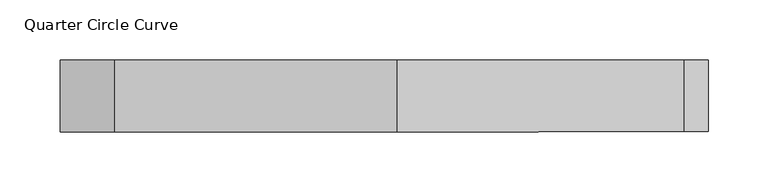
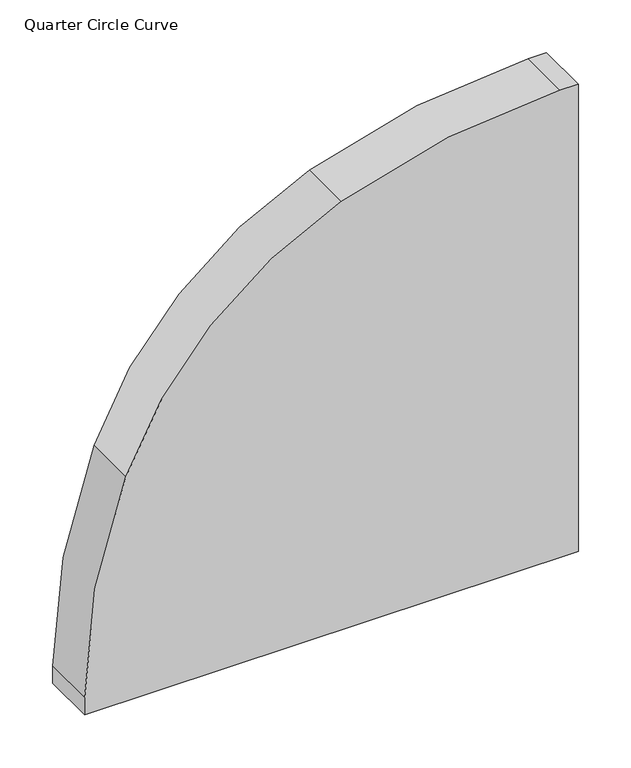
"""IFC4 building model written with IfcOpenShell, lengths in millimetres: furniture geometry, Quarter Circle Curve."""

import ifcopenshell
import ifcopenshell.guid

model = None  # the IFC model being written
_history = None  # IfcOwnerHistory: only IFC2X3 demands one
_inside = {}  # id of a spatial element -> (the spatial element, [elements in it])
_under = {}  # id of a project, library or spatial element -> (it, [spatial elements below it])
_declared = {}  # id of a project -> (the project, [libraries it declares])
_typed = {}  # id of a type object -> (the type object, [elements of that type])
_made_of = {}  # id of a material, layer set ... -> (it, [elements and type objects made of it])


def new_model(schema):
    """Start an empty IFC model of exactly this schema.

    Asked for "IFC4X3", IfcOpenShell would pick the latest addendum, in which some entities
    have other attributes; the version numbers below select the first issue.
    IFC2X3 requires an IfcOwnerHistory on every rooted entity: one is made here for all.
    """
    global model, _history
    if schema == "IFC4X3":
        model = ifcopenshell.file(schema_version=(4, 3, 0, 0))
    else:
        model = ifcopenshell.file(schema=schema)
    _inside.clear()
    _under.clear()
    _declared.clear()
    _typed.clear()
    _made_of.clear()
    _history = None
    if model.schema == "IFC2X3":
        org = make("IfcOrganization", Name="unknown")
        user = make(
            "IfcPersonAndOrganization",
            ThePerson=make("IfcPerson", FamilyName="unknown"),
            TheOrganization=org,
        )
        app = make(
            "IfcApplication",
            ApplicationDeveloper=org,
            Version="unknown",
            ApplicationFullName="unknown",
            ApplicationIdentifier="unknown",
        )
        _history = make(
            "IfcOwnerHistory",
            OwningUser=user,
            OwningApplication=app,
            ChangeAction="ADDED",
            CreationDate=0,
        )
    return model


def make(cls, **values):
    """One entity of the class cls with the attributes given. An attribute that is None is left unset."""
    return model.create_entity(
        cls, **{name: value for name, value in values.items() if value is not None}
    )


def rooted(cls, **values):
    """An entity with a GlobalId (a new one), such as an element, a storey or a relation."""
    return make(cls, GlobalId=ifcopenshell.guid.new(), OwnerHistory=_history, **values)


def si_unit(unit_type, name, prefix=None):
    """IfcSIUnit, for example si_unit("LENGTHUNIT", "METRE", prefix="MILLI")."""
    return make("IfcSIUnit", UnitType=unit_type, Prefix=prefix, Name=name)


def assignment(units):
    """IfcUnitAssignment: the units of a project."""
    return None if units is None else make("IfcUnitAssignment", Units=units)


def point(xyz):
    """IfcCartesianPoint."""
    return None if xyz is None else make("IfcCartesianPoint", Coordinates=xyz)


def direction(xyz):
    """IfcDirection."""
    return None if xyz is None else make("IfcDirection", DirectionRatios=xyz)


def frame(location, z_axis=None, x_axis=None):
    """IfcAxis2Placement3D, a coordinate frame: its origin and axes. An axis left out is left unset."""
    return make(
        "IfcAxis2Placement3D",
        Location=point(location),
        Axis=direction(z_axis),
        RefDirection=direction(x_axis),
    )


def origin():
    """The frame at (0, 0, 0) with its axes left unset."""
    return frame((0.0, 0.0, 0.0))


def place(relative_to, where):
    """IfcLocalPlacement: puts the frame where relative to a parent placement (None: the world)."""
    return make(
        "IfcLocalPlacement", PlacementRelTo=relative_to, RelativePlacement=where
    )


def context(
    kind, dimensions, precision=None, world=None, true_north=None, identifier=None
):
    """IfcGeometricRepresentationContext, for example the 3D "Model" context."""
    return make(
        "IfcGeometricRepresentationContext",
        ContextIdentifier=identifier,
        ContextType=kind,
        CoordinateSpaceDimension=dimensions,
        Precision=precision,
        WorldCoordinateSystem=world,
        TrueNorth=true_north,
    )


def project(units=None, contexts=None):
    """IfcProject with its units and contexts."""
    return rooted(
        "IfcProject",
        Name="project",
        RepresentationContexts=contexts,
        UnitsInContext=assignment(units),
    )


def spatial(cls, under=None, at=None, **own):
    """A site, building, storey or space (cls), placed at a placement, below another one or the project."""
    s = rooted(cls, ObjectPlacement=at, **own)
    if under is not None:
        _under.setdefault(under.id(), (under, []))[1].append(s)
    return s


def polyline(points):
    """IfcPolyline through the points."""
    return make("IfcPolyline", Points=[point(p) for p in points])


def circle_curve(where, radius):
    """IfcCircle in the frame where."""
    return make("IfcCircle", Position=where, Radius=radius)


def ellipse_curve(where, semi_axis1, semi_axis2):
    """IfcEllipse in the frame where."""
    return make(
        "IfcEllipse", Position=where, SemiAxis1=semi_axis1, SemiAxis2=semi_axis2
    )


def trimmed(basis, trim1, trim2, sense, master):
    """IfcTrimmedCurve: the piece of a basis curve between two trims."""
    return make(
        "IfcTrimmedCurve",
        BasisCurve=basis,
        Trim1=trim1,
        Trim2=trim2,
        SenseAgreement=sense,
        MasterRepresentation=master,
    )


def shape(context_of_items, identifier, shape_type, items):
    """IfcShapeRepresentation: the items that make up one representation, for example the "Body"."""
    return make(
        "IfcShapeRepresentation",
        ContextOfItems=context_of_items,
        RepresentationIdentifier=identifier,
        RepresentationType=shape_type,
        Items=items,
    )


def source(mapping_origin, context_of_items, identifier, shape_type, items):
    """IfcRepresentationMap: a shape defined once, which mapped items show again and again."""
    return make(
        "IfcRepresentationMap",
        MappingOrigin=mapping_origin,
        MappedRepresentation=shape(context_of_items, identifier, shape_type, items),
    )


def transform(
    local_origin,
    x_axis=None,
    y_axis=None,
    z_axis=None,
    scale=None,
    scale2=None,
    scale3=None,
    uniform=True,
):
    """IfcCartesianTransformationOperator3D, or its non-uniform kind. x_axis, y_axis, z_axis: its Axis1, 2, 3."""
    if uniform:
        return make(
            "IfcCartesianTransformationOperator3D",
            Axis1=direction(x_axis),
            Axis2=direction(y_axis),
            LocalOrigin=point(local_origin),
            Scale=scale,
            Axis3=direction(z_axis),
        )
    return make(
        "IfcCartesianTransformationOperator3DnonUniform",
        Axis1=direction(x_axis),
        Axis2=direction(y_axis),
        LocalOrigin=point(local_origin),
        Scale=scale,
        Axis3=direction(z_axis),
        Scale2=scale2,
        Scale3=scale3,
    )


def mapped(mapping_source, mapping_target):
    """IfcMappedItem: shows the shape of a source again, moved by a transform."""
    return make(
        "IfcMappedItem", MappingSource=mapping_source, MappingTarget=mapping_target
    )


def made_of(thing, what):
    """Note that an element or type object is made of a material, layer set ...; save() writes the relation."""
    if what is not None:
        _made_of.setdefault(what.id(), (what, []))[1].append(thing)
    return thing


def element(
    cls,
    number,
    at=None,
    inside=None,
    cuts=None,
    type_object=None,
    material=None,
    context=None,
    identifier="Body",
    shape_type=None,
    held_by="IfcProductDefinitionShape",
    body=None,
    shapes=None,
    **own,
):
    """One element of the class cls, such as IfcWall. Its Tag is "e" and its number.

    at: its placement. inside: the storey or other place that contains it. cuts: it is an
    opening in that element (IfcRelVoidsElement). A single representation is given by context,
    identifier, shape_type and body (its items); several are given by shapes. held_by: the class
    of the entity that holds the representations. save() writes the other relations.
    """
    e = rooted(cls, Tag="e%d" % number, ObjectPlacement=at, **own)
    if body is not None:
        shapes = [shape(context, identifier, shape_type, body)]
    if shapes is not None:
        e.Representation = make(held_by, Representations=shapes)
    if inside is not None:
        _inside.setdefault(inside.id(), (inside, []))[1].append(e)
    if cuts is not None:
        rooted(
            "IfcRelVoidsElement", RelatingBuildingElement=cuts, RelatedOpeningElement=e
        )
    if type_object is not None:
        _typed.setdefault(type_object.id(), (type_object, []))[1].append(e)
    return made_of(e, material)


def aggregate(whole, parts):
    """IfcRelAggregates: a whole, such as a stair, and the parts it consists of."""
    return rooted("IfcRelAggregates", RelatingObject=whole, RelatedObjects=parts)


def save(model, path):
    """Write the relations noted so far, then the file.

    IfcRelAggregates (storeys below a building ...), IfcRelContainedInSpatialStructure (elements
    in a storey), IfcRelDefinesByType, IfcRelAssociatesMaterial and IfcRelDeclares: one each for
    every whole, place, type object, material and project.
    """
    for whole, parts in _under.values():
        aggregate(whole, parts)
    for where, things in _inside.values():
        rooted(
            "IfcRelContainedInSpatialStructure",
            RelatedElements=things,
            RelatingStructure=where,
        )
    for kind, things in _typed.values():
        rooted("IfcRelDefinesByType", RelatedObjects=things, RelatingType=kind)
    for what, things in _made_of.values():
        rooted("IfcRelAssociatesMaterial", RelatedObjects=things, RelatingMaterial=what)
    for by, libraries in _declared.values():
        rooted("IfcRelDeclares", RelatingContext=by, RelatedDefinitions=libraries)
    model.write(path)


def plane_surface(at):
    """IfcPlane: the flat surface through the origin of the frame at, square to its z axis."""
    return make("IfcPlane", Position=at)


def cylinder_surface(at, radius):
    """IfcCylindricalSurface: all points at the distance radius from the z axis of the frame at."""
    return make("IfcCylindricalSurface", Position=at, Radius=radius)


def revolved_surface(curve, axis_point, axis_direction):
    """IfcSurfaceOfRevolution: the curve turned about the line through axis_point along axis_direction."""
    return make(
        "IfcSurfaceOfRevolution",
        SweptCurve=make("IfcArbitraryOpenProfileDef", ProfileType="CURVE", Curve=curve),
        AxisPosition=make("IfcAxis1Placement", Location=point(axis_point), Axis=direction(axis_direction)),
    )


def advanced_brep(points, edges, surfaces, faces):
    """IfcAdvancedBrep: a solid bounded by faces that lie on surfaces and meet in shared edges.

    An edge is (start, end): straight between two places in points (the first is 0);
    or (start, end, curve); or (start, end, curve, False) where it runs against its curve.
    A face is (place in surfaces, loops), or (place, loops, False) where it looks against
    its surface's normal. A loop lists edges by number (the first is 1), with a minus sign
    where the edge is run from its end to its start. The first loop is the outer one.
    """
    corners = [point(p) for p in points]
    vertices = [make("IfcVertexPoint", VertexGeometry=c) for c in corners]
    made = []
    for start, end, *more in edges:
        made.append(
            make(
                "IfcEdgeCurve",
                EdgeStart=vertices[start],
                EdgeEnd=vertices[end],
                EdgeGeometry=more[0] if more else make("IfcPolyline", Points=[corners[start], corners[end]]),
                SameSense=more[1] if len(more) > 1 else True,
            )
        )
    hull = []
    for where, loops, *sense in faces:
        bounds = []
        for j, loop in enumerate(loops):
            ring = [make("IfcOrientedEdge", EdgeElement=made[abs(k) - 1], Orientation=k > 0) for k in loop]
            bounds.append(
                make(
                    "IfcFaceOuterBound" if j == 0 else "IfcFaceBound",
                    Bound=make("IfcEdgeLoop", EdgeList=ring),
                    Orientation=True,
                )
            )
        hull.append(make("IfcAdvancedFace", Bounds=bounds, FaceSurface=surfaces[where], SameSense=sense[0] if sense else True))
    return make("IfcAdvancedBrep", Outer=make("IfcClosedShell", CfsFaces=hull))


def quarter_circle_curve_56d6dbad(model_context):
    return source(origin(), model_context, "Body", "AdvancedBrep", [
        advanced_brep(
        [(118.5203808, 60.0, 1500.0), (118.5203808, 60.0, 1545.0), (225.0, 60.0, 1651.4796192), (270.0, 60.0, 1651.4796192), (270.0, 60.0, 1500.0), (-270.0, 60.0, 1500.0), (-270.0, 60.0, 1519.7112052), (-224.9355419, 60.0, 1759.4008861), (10.5991139, 60.0, 1994.9355419), (250.2887948, 60.0, 2040.0), (270.0, 60.0, 2040.0), (270.0, 60.0, 1915.0), (270.0, 60.0, 1901.0875949), (225.0, 60.0, 1901.0875949), (-131.0875949, 60.0, 1545.0), (-131.0875949, 60.0, 1500.0), (-145.0, 60.0, 1500.0), (270.0, 0.0, 2040.0), (250.2887948, 0.0, 2040.0), (10.5991139, 0.0, 1994.9355419), (-224.9355419, 0.0, 1759.4008861), (-270.0, 0.0, 1519.7112052), (-270.0, 0.0, 1500.0), (270.0, 0.0, 1500.0), (-106.1283636, 57.90888, 1500.0), (0.0, 40.0, 1500.0), (270.0, 40.0, 1770.0), (270.0, 57.90888, 1876.1283636), (0.0, 40.0, 1545.0), (225.0, 40.0, 1770.0), (-106.1283636, 57.90888, 1545.0), (225.0, 57.90888, 1876.1283636)],
        [
            (0, 1),
            (1, 2, circle_curve(frame((225.0, 60.0, 1545.0), z_axis=(0.0, 1.0, 0.0), x_axis=(-1.0, 0.0, 0.0)), 106.4796192)),
            (2, 3),
            (3, 4),
            (4, 0),
            (5, 6),
            (6, 7, circle_curve(frame((389.9652032, 60.0, 1519.7112052), z_axis=(0.0, 1.0, 0.0), x_axis=(1.0, 0.0, 0.0)), 659.9652032)),
            (7, 8, circle_curve(frame((161.0616985, 60.0, 1608.9383015), z_axis=(0.0, 1.0, 0.0), x_axis=(1.0, 0.0, 0.0)), 414.2859628)),
            (8, 9, circle_curve(frame((250.2887948, 60.0, 1380.0347968), z_axis=(0.0, 1.0, 0.0), x_axis=(1.0, 0.0, 0.0)), 659.9652032)),
            (9, 10),
            (10, 11),
            (11, 12),
            (12, 13),
            (13, 14, circle_curve(frame((225.0, 60.0, 1545.0), z_axis=(0.0, -1.0, 0.0), x_axis=(-1.0, 0.0, 0.0)), 356.0875949)),
            (14, 15),
            (15, 16),
            (16, 5),
            (17, 18),
            (18, 19, circle_curve(frame((250.2887948, 0.0, 1380.0347968), z_axis=(0.0, -1.0, 0.0), x_axis=(1.0, 0.0, 0.0)), 659.9652032)),
            (19, 20, circle_curve(frame((161.0616985, 0.0, 1608.9383015), z_axis=(0.0, -1.0, 0.0), x_axis=(1.0, 0.0, 0.0)), 414.2859628)),
            (20, 21, circle_curve(frame((389.9652032, 0.0, 1519.7112052), z_axis=(0.0, -1.0, 0.0), x_axis=(1.0, 0.0, 0.0)), 659.9652032)),
            (21, 22),
            (22, 23),
            (23, 17),
            (9, 18),
            (17, 10),
            (21, 6),
            (5, 22),
            (15, 24, circle_curve(frame((-131.0875949, -90.0, 1500.0), z_axis=(0.0, 0.0, -1.0), x_axis=(-1.0, 0.0, 0.0)), 150.0)),
            (24, 25),
            (25, 0),
            (4, 23),
            (3, 26),
            (26, 27),
            (27, 12, circle_curve(frame((270.0, -90.0, 1901.0875949), z_axis=(1.0, 0.0, 0.0), x_axis=(0.0, 0.0, 1.0)), 150.0)),
            (28, 1),
            (25, 28),
            (29, 2),
            (28, 29, circle_curve(frame((225.0, 40.0, 1545.0), z_axis=(0.0, 1.0, 0.0), x_axis=(-1.0, 0.0, 0.0)), 225.0)),
            (29, 26),
            (20, 7),
            (19, 8),
            (14, 30, circle_curve(frame((-131.0875949, -90.0, 1545.0), z_axis=(0.0, 0.0, -1.0), x_axis=(-1.0, 0.0, 0.0)), 150.0)),
            (30, 24),
            (30, 28),
            (13, 31, circle_curve(frame((225.0, -90.0, 1901.0875949), z_axis=(-1.0, 0.0, 0.0), x_axis=(0.0, 0.0, 1.0)), 150.0)),
            (31, 30, circle_curve(frame((225.0, 57.90888, 1545.0), z_axis=(0.0, -1.0, 0.0), x_axis=(-1.0, 0.0, 0.0)), 331.1283636)),
            (31, 29),
            (27, 31),
        ],
        [
            plane_surface(frame((-270.0, 60.0, 2040.0), z_axis=(0.0, 1.0, 0.0), x_axis=(-1.0, 0.0, 0.0))),
            plane_surface(frame((-270.0, 0.0, 2040.0), z_axis=(0.0, -1.0, 0.0), x_axis=(1.0, 0.0, 0.0))),
            plane_surface(frame((270.0, 60.0, 2040.0), z_axis=(0.0, 0.0, 1.0), x_axis=(0.0, -1.0, 0.0))),
            plane_surface(frame((-270.0, 60.0, 2040.0), z_axis=(-1.0, 0.0, 0.0), x_axis=(0.0, -1.0, 0.0))),
            plane_surface(frame((-270.0, 60.0, 1500.0), z_axis=(0.0, 0.0, -1.0), x_axis=(0.0, -1.0, 0.0))),
            plane_surface(frame((270.0, 60.0, 1500.0), z_axis=(1.0, 0.0, 0.0), x_axis=(0.0, -1.0, 0.0))),
            plane_surface(frame((0.0, 40.0, 1500.0), z_axis=(-0.1663948754508185, 0.9860591997561337, 0.0), x_axis=(0.0, 0.0, 1.0))),
            revolved_surface(polyline([(120.0, 60.2496818, 1545.0), (0.0, 40.0, 1545.0)]), (225.0, 60.0, 1545.0), (0.0, -1.0, 0.0)),
            plane_surface(frame((225.0, 40.0, 1770.0), z_axis=(0.0, 0.9860591997561331, 0.16639487545082166), x_axis=(1.0, 0.0, 0.0))),
            cylinder_surface(frame((389.9652032, 0.0, 1519.7112052), z_axis=(0.0, -1.0, 0.0), x_axis=(1.0, 0.0, 0.0)), 659.9652032),
            cylinder_surface(frame((161.0616985, 0.0, 1608.9383015), z_axis=(0.0, -1.0, 0.0), x_axis=(1.0, 0.0, 0.0)), 414.2859628),
            cylinder_surface(frame((250.2887948, 0.0, 1380.0347968), z_axis=(0.0, -1.0, 0.0), x_axis=(1.0, 0.0, 0.0)), 659.9652032),
            cylinder_surface(frame((-131.0875949, -90.0, 1500.0), z_axis=(0.0, 0.0, 1.0), x_axis=(-1.0, 0.0, 0.0)), 150.0),
            plane_surface(frame((-106.1283636, 57.90888, 1500.0), z_axis=(0.16639487545078646, 0.9860591997561391, 0.0), x_axis=(0.0, 0.0, 1.0))),
            revolved_surface(trimmed(ellipse_curve(frame((-131.0875949, -90.0, 1545.0), z_axis=(0.0, 0.0, 1.0), x_axis=(-1.0, 0.0, 0.0)), 150.0, 150.0), [point((-106.1283636, 57.90888, 1545.0))], [point((-131.0875949, 60.0, 1545.0))], True, "CARTESIAN"), (225.0, 60.0, 1545.0), (0.0, -1.0, 0.0)),
            revolved_surface(polyline([(0.0, 40.0, 1545.0), (-106.1283636, 57.90888, 1545.0)]), (225.0, 60.0, 1545.0), (0.0, -1.0, 0.0)),
            cylinder_surface(frame((225.0, -90.0, 1901.0875949), z_axis=(1.0, 0.0, 0.0), x_axis=(0.0, 0.0, 1.0)), 150.0),
            plane_surface(frame((225.0, 57.90888, 1876.1283636), z_axis=(0.0, 0.9860591997561396, -0.1663948754507833), x_axis=(1.0, 0.0, 0.0))),
        ],
        [
            (0, [[1, 2, 3, 4, 5]]),
            (0, [[6, 7, 8, 9, 10, 11, 12, 13, 14, 15, 16, 17]]),
            (1, [[18, 19, 20, 21, 22, 23, 24]]),
            (2, [[-10, 25, -18, 26]]),
            (3, [[-22, 27, -6, 28]]),
            (4, [[-28, -17, -16, 29, 30, 31, -5, 32, -23]]),
            (5, [[-32, -4, 33, 34, 35, -12, -11, -26, -24]]),
            (6, [[36, -1, -31, 37]]),
            (7, [[38, -2, -36, 39]]),
            (8, [[-33, -3, -38, 40]]),
            (9, [[-7, -27, -21, 41]]),
            (10, [[-20, 42, -8, -41]]),
            (11, [[-19, -25, -9, -42]]),
            (12, [[-29, -15, 43, 44]]),
            (13, [[-30, -44, 45, -37]]),
            (14, [[-14, 46, 47, -43]]),
            (15, [[-45, -47, 48, -39]]),
            (16, [[-13, -35, 49, -46]]),
            (17, [[-48, -49, -34, -40]]),
        ],
    ),
    ])


if __name__ == "__main__":
    model = new_model("IFC4")
    model_context = context("Model", 3, world=origin())
    ifc_project = project(units=[si_unit("LENGTHUNIT", "METRE", prefix="MILLI")], contexts=[model_context])
    site = spatial("IfcSite", under=ifc_project)
    building = spatial("IfcBuilding", under=site)
    placement = place(None, origin())
    quarter_circle_curve_shape = quarter_circle_curve_56d6dbad(model_context)
    element("IfcFurniture", 1, ObjectType="Quarter Circle Curve", at=placement, inside=building, context=model_context, shape_type="MappedRepresentation", body=[
        mapped(quarter_circle_curve_shape, transform((0.0, 0.0, 0.0), x_axis=(1.0, 0.0, 0.0), y_axis=(0.0, 1.0, 0.0), z_axis=(0.0, 0.0, 1.0))),
    ])
    save(model, "model.ifc")
